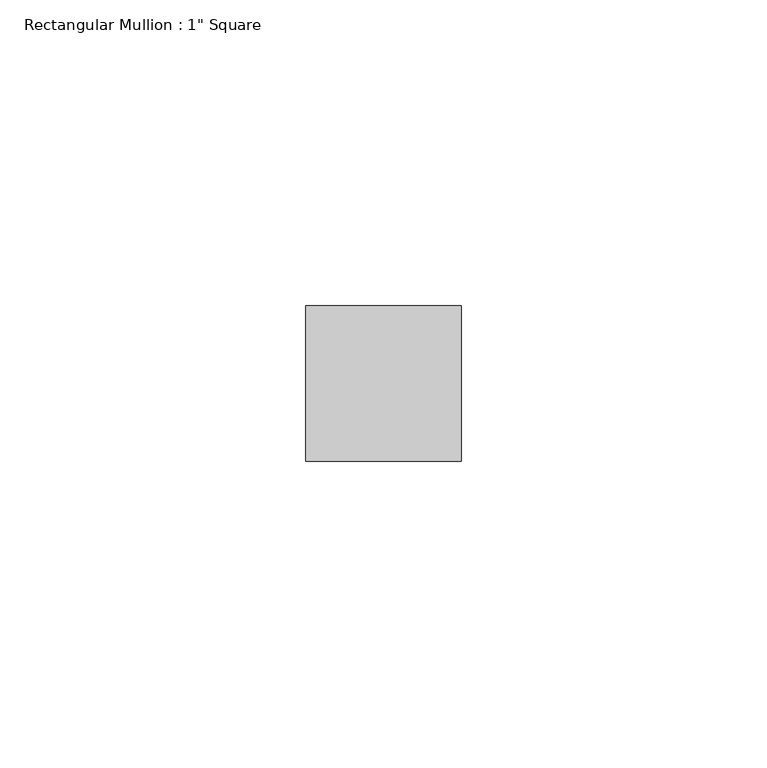
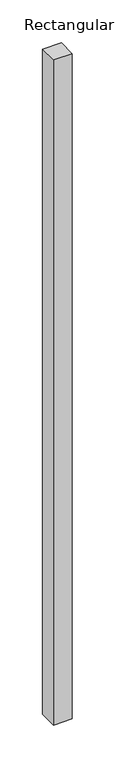
"""IFC4 building model written with IfcOpenShell, lengths in millimetres: member geometry."""

from ifc_helpers import new_model, si_unit, frame, origin, place, context, project, spatial, polyline, outline, extrude, source, transform, mapped, element, save


def member_e9c01e41(model_context):
    return source(origin(), model_context, "Body", "SweptSolid", [
        extrude(outline(polyline([(0.0, 12.7), (0.0, -12.7), (-25.4, -12.7), (-25.4, 12.7), (0.0, 12.7)])), frame((0.0, 0.0, -948.9479038), z_axis=(0.0, 0.0, 1.0), x_axis=(1.0, 0.0, 0.0)), (0.0, 0.0, 1.0), 948.9479038),
    ])


if __name__ == "__main__":
    model = new_model("IFC4")
    model_context = context("Model", 3, world=origin())
    ifc_project = project(units=[si_unit("LENGTHUNIT", "METRE", prefix="MILLI")], contexts=[model_context])
    site = spatial("IfcSite", under=ifc_project)
    building = spatial("IfcBuilding", under=site)
    placement = place(None, origin())
    member_shape = member_e9c01e41(model_context)
    element("IfcMember", 1, ObjectType="Rectangular Mullion : 1\" Square", at=placement, inside=building, context=model_context, shape_type="MappedRepresentation", body=[
        mapped(member_shape, transform((0.0, 0.0, 0.0), x_axis=(1.0, 0.0, 0.0), y_axis=(0.0, 1.0, 0.0), z_axis=(0.0, 0.0, 1.0))),
    ])
    save(model, "model.ifc")
